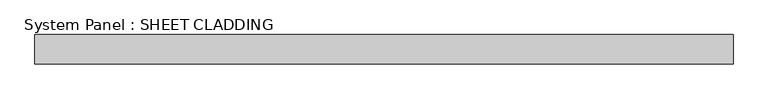
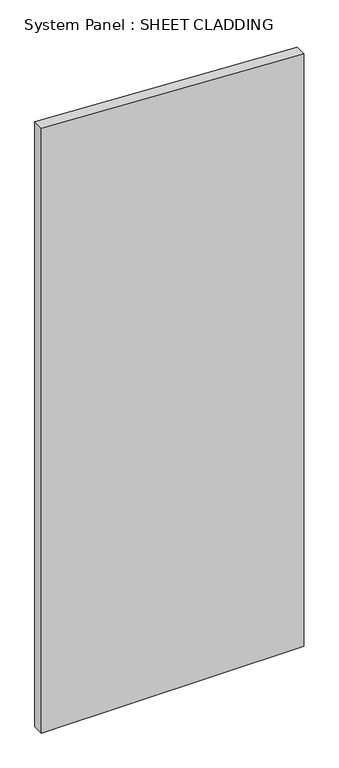
"""IFC4 building model written with IfcOpenShell, lengths in millimetres: plate geometry, System Panel : SHEET CLADDING."""

from ifc_helpers import new_model, si_unit, frame, origin, place, context, project, spatial, polyline, outline, extrude, source, transform, mapped, element, save


def system_panel_sheet_cladding_ee239339(model_context):
    return source(origin(), model_context, "Body", "SweptSolid", [
        extrude(outline(polyline([(0.0, -718.75), (0.0, 718.75), (3431.975, 718.75), (3503.85, -718.75), (0.0, -718.75)])), frame((0.0, -49.5, 0.0), z_axis=(0.0, 1.0, 0.0), x_axis=(0.0, 0.0, 1.0)), (0.0, 0.0, 1.0), 60.0),
    ])


if __name__ == "__main__":
    model = new_model("IFC4")
    model_context = context("Model", 3, world=origin())
    ifc_project = project(units=[si_unit("LENGTHUNIT", "METRE", prefix="MILLI")], contexts=[model_context])
    site = spatial("IfcSite", under=ifc_project)
    building = spatial("IfcBuilding", under=site)
    placement = place(None, origin())
    system_panel_sheet_cladding_shape = system_panel_sheet_cladding_ee239339(model_context)
    element("IfcPlate", 1, ObjectType="System Panel : SHEET CLADDING", at=placement, inside=building, context=model_context, shape_type="MappedRepresentation", body=[
        mapped(system_panel_sheet_cladding_shape, transform((0.0, 0.0, 0.0), x_axis=(1.0, 0.0, 0.0), y_axis=(0.0, 1.0, 0.0), z_axis=(0.0, 0.0, 1.0))),
    ])
    save(model, "model.ifc")
